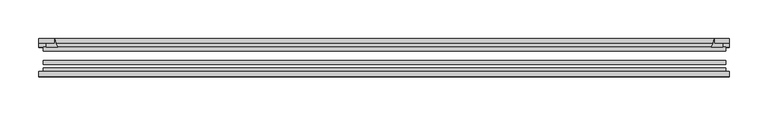
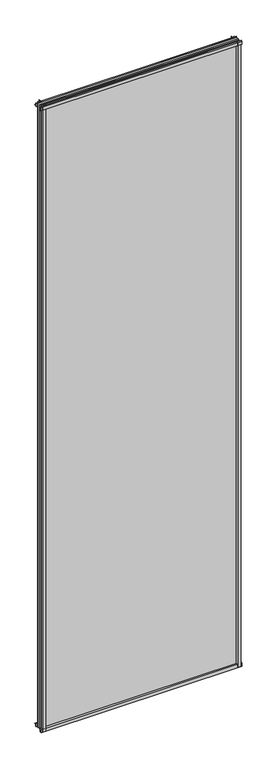
"""IFC4 building model written with IfcOpenShell, lengths in millimetres: plate geometry."""

from ifc_helpers import new_model, si_unit, point, frame, frame_2d, origin, place, context, project, spatial, polyline, circle_curve, trimmed, segment, composite_curve, outline, extrude, source, transform, mapped, element, save


def plate_4c235201(model_context):
    return source(origin(), model_context, "Body", "SweptSolid", [
        extrude(outline(composite_curve([segment(polyline([(-85.1328625, 2900.3813002), (-78.7828625, 2900.3813002), (-78.7828625, 2884.1311909)]), True, "CONTINUOUS"), segment(trimmed(circle_curve(frame_2d((-85.0581856, 2875.0814356)), 11.0126179), [point((-78.7828625, 2884.1311909))], [point((-85.1328625, 2886.0938002))], True, "CARTESIAN"), True, "CONTINUOUS"), segment(polyline([(-85.1328625, 2886.0938002), (-85.1328625, 2900.3813002)]), True, "CONTINUOUS")], self_intersect=False)), frame((-443.9046875, 0.0, 0.0), z_axis=(1.0, 0.0, 0.0), x_axis=(0.0, 1.0, 0.0)), (0.0, 0.0, 1.0), 886.61875),
        extrude(outline(composite_curve([segment(polyline([(-438.15, -78.7828625), (-421.2887844, -78.7828625)]), True, "CONTINUOUS"), segment(trimmed(circle_curve(frame_2d((-410.7263809, -86.7604812)), 13.2365693), [point((-421.2887844, -78.7828625))], [point((-423.8625, -85.1328625))], True, "CARTESIAN"), True, "CONTINUOUS"), segment(polyline([(-423.8625, -85.1328625), (-438.15, -85.1328625), (-438.15, -78.7828625)]), True, "CONTINUOUS")], self_intersect=False)), frame((0.0, 0.0, -14.2875), z_axis=(0.0, 0.0, 1.0), x_axis=(1.0, 0.0, 0.0)), (0.0, 0.0, 1.0), 2914.65),
        extrude(outline(composite_curve([segment(polyline([(438.15, -78.7828625), (438.15, -85.1328625), (423.8625, -85.1328625)]), True, "CONTINUOUS"), segment(trimmed(circle_curve(frame_2d((410.7263809, -86.7604812)), 13.2365693), [point((423.8625, -85.1328625))], [point((421.2887844, -78.7828625))], True, "CARTESIAN"), True, "CONTINUOUS"), segment(polyline([(421.2887844, -78.7828625), (438.15, -78.7828625)]), True, "CONTINUOUS")], self_intersect=False)), frame((0.0, 0.0, -14.2875), z_axis=(0.0, 0.0, 1.0), x_axis=(1.0, 0.0, 0.0)), (0.0, 0.0, 1.0), 2914.65),
        extrude(outline(composite_curve([segment(polyline([(-47.1852625, -10.4712201), (-47.1852625, 3.9588469)]), True, "CONTINUOUS"), segment(trimmed(circle_curve(frame_2d((-30.6824422, 32.267054)), 32.7673262), [point((-47.1852625, 3.9588469))], [point((-36.3503395, -0.00635))], True, "CARTESIAN"), True, "CONTINUOUS"), segment(polyline([(-36.3503395, -0.00635), (-42.2830625, -0.00635), (-42.2830625, -10.4712201), (-47.1852625, -10.4712201)]), True, "CONTINUOUS")], self_intersect=False)), frame((-443.9046875, 0.0, 0.0), z_axis=(1.0, 0.0, 0.0), x_axis=(0.0, 1.0, 0.0)), (0.0, 0.0, 1.0), 886.61875),
        extrude(outline(composite_curve([segment(polyline([(-78.7828625, -14.2875), (-85.1328625, -14.2875), (-85.1328625, -0.0127)]), True, "CONTINUOUS"), segment(trimmed(circle_curve(frame_2d((-86.7604812, 13.1234191)), 13.2365693), [point((-85.1328625, -0.0127))], [point((-78.7828625, 2.5610156))], True, "CARTESIAN"), True, "CONTINUOUS"), segment(polyline([(-78.7828625, 2.5610156), (-78.7828625, -14.2875)]), True, "CONTINUOUS")], self_intersect=False)), frame((-443.9046875, 0.0, 0.0), z_axis=(1.0, 0.0, 0.0), x_axis=(0.0, 1.0, 0.0)), (0.0, 0.0, 1.0), 886.61875),
        extrude(outline(composite_curve([segment(polyline([(-47.1852625, 2882.1034531), (-47.1852625, 2896.7752564), (-42.2830625, 2896.7752564), (-42.2830625, 2886.075), (-36.3140625, 2886.075)]), True, "CONTINUOUS"), segment(trimmed(circle_curve(frame_2d((-30.6824422, 2853.795246)), 32.7673262), [point((-36.3140625, 2886.075))], [point((-47.1852625, 2882.1034531))], True, "CARTESIAN"), True, "CONTINUOUS")], self_intersect=False)), frame((-443.9046875, 0.0, 0.0), z_axis=(1.0, 0.0, 0.0), x_axis=(0.0, 1.0, 0.0)), (0.0, 0.0, 1.0), 886.61875),
        extrude(outline(composite_curve([segment(trimmed(circle_curve(frame_2d((391.582746, -30.6824422)), 32.7673262), [point((419.8909531, -47.1852625))], [point((423.8625, -36.3140625))], True, "CARTESIAN"), True, "CONTINUOUS"), segment(polyline([(423.8625, -36.3140625), (423.8625, -42.2830625), (434.5628653, -42.2830625), (434.5628653, -47.1852625), (419.8909531, -47.1852625)]), True, "CONTINUOUS")], self_intersect=False)), frame((0.0, 0.0, -14.2875), z_axis=(0.0, 0.0, 1.0), x_axis=(1.0, 0.0, 0.0)), (0.0, 0.0, 1.0), 2914.65),
        extrude(outline(composite_curve([segment(polyline([(-419.8909531, -47.1852625), (-434.5577092, -47.1852625), (-434.5577092, -42.2830625), (-423.8625, -42.2830625), (-423.8625, -36.3140625)]), True, "CONTINUOUS"), segment(trimmed(circle_curve(frame_2d((-391.582746, -30.6824422)), 32.7673262), [point((-423.8625, -36.3140625))], [point((-419.8909531, -47.1852625))], True, "CARTESIAN"), True, "CONTINUOUS")], self_intersect=False)), frame((0.0, 0.0, -14.2875), z_axis=(0.0, 0.0, 1.0), x_axis=(1.0, 0.0, 0.0)), (0.0, 0.0, 1.0), 2914.65),
        extrude(outline(polyline([(438.15, -64.6604625), (438.15, -69.4356625), (-438.15, -69.4356625), (-438.15, -64.6604625), (438.15, -64.6604625)])), frame((0.0, 0.0, -14.2875), z_axis=(0.0, 0.0, 1.0), x_axis=(1.0, 0.0, 0.0)), (0.0, 0.0, 1.0), 2914.65),
        extrude(outline(polyline([(-438.15, -78.7828625), (-438.15, -74.0076625), (438.15, -74.0076625), (438.15, -78.7828625), (-438.15, -78.7828625)])), frame((0.0, 0.0, -14.2875), z_axis=(0.0, 0.0, 1.0), x_axis=(1.0, 0.0, 0.0)), (0.0, 0.0, 1.0), 2914.65),
        extrude(outline(polyline([(-438.15, -47.1852625), (438.15, -47.1852625), (438.15, -51.9604625), (-438.15, -51.9604625), (-438.15, -47.1852625)])), frame((0.0, 0.0, -14.2875), z_axis=(0.0, 0.0, 1.0), x_axis=(1.0, 0.0, 0.0)), (0.0, 0.0, 1.0), 2914.65),
    ])


if __name__ == "__main__":
    model = new_model("IFC4")
    model_context = context("Model", 3, world=origin())
    ifc_project = project(units=[si_unit("LENGTHUNIT", "METRE", prefix="MILLI")], contexts=[model_context])
    site = spatial("IfcSite", under=ifc_project)
    building = spatial("IfcBuilding", under=site)
    placement = place(None, origin())
    plate_shape = plate_4c235201(model_context)
    element("IfcPlate", 1, at=placement, inside=building, context=model_context, shape_type="MappedRepresentation", body=[
        mapped(plate_shape, transform((0.0, 0.0, 0.0), x_axis=(1.0, 0.0, 0.0), y_axis=(0.0, 1.0, 0.0), z_axis=(0.0, 0.0, 1.0))),
    ])
    save(model, "model.ifc")
